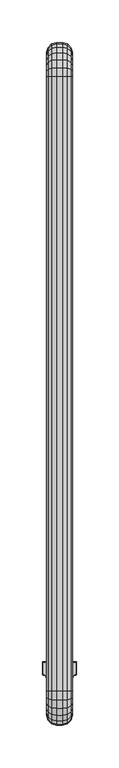
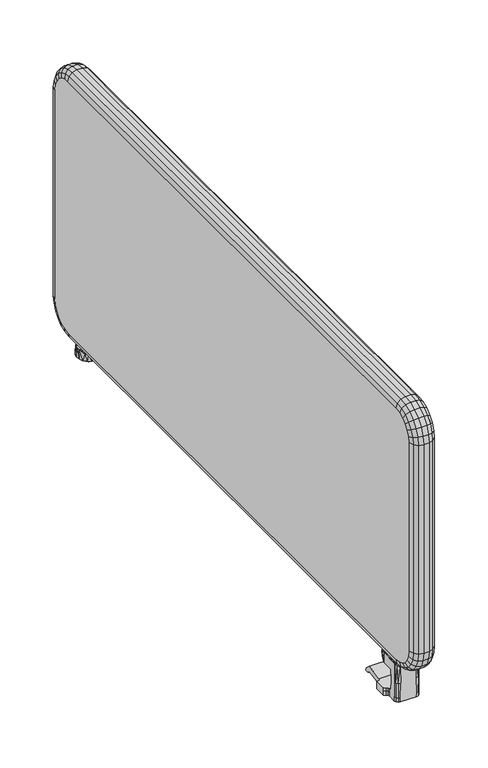
"""IFC4 building model written with IfcOpenShell, lengths in millimetres: furniture geometry."""

from ifc_helpers import new_model, si_unit, origin, place, context, project, spatial, triangles, source, transform, mapped, element, save


def furniture_0dd3401b(model_context):
    return source(origin(), model_context, "Body", "Tessellation", [
        triangles([(789.5187948, -123.3167344, 695.7499741), (789.5187948, -108.4127023, 695.7499741), (789.5667933, -123.3646966, 701.2500017), (789.5667933, -108.3647401, 701.2500017), (787.1397975, -124.0897251, 701.2500017), (787.091799, -124.0416902, 695.7499741), (785.3308055, -125.8627273, 695.7499741), (785.378804, -125.9106895, 701.2500017), (784.6888025, -128.3137405, 695.7499741), (784.7368011, -128.3617027, 701.2500017), (784.6977954, -128.3227516, 705.7500177), (785.3397984, -125.8717384, 705.7500177), (787.0997927, -124.0496839, 705.7500177), (789.5278059, -123.3257455, 705.7500177), (784.6148063, -118.412746, 695.7499741), (754.5188054, -118.412746, 695.7499741), (784.5668078, -118.3647111, 701.2500017), (754.5668039, -118.3647111, 701.2500017), (784.6057952, -118.4037349, 705.7500177), (784.6057952, -108.4036912, 705.7500177), (784.5668078, -108.3647401, 701.2500017), (754.5188054, -108.4127023, 695.7499741), (754.5668039, -108.3647401, 701.2500017), (784.5668078, -131.364717, 720.7499743), (784.5668078, -138.3647258, 720.7499743), (784.6977954, -131.2336931, 705.7500177), (784.7368011, -138.5347009, 701.2500017), (784.6888025, -138.4867387, 695.7499741), (779.6887989, -143.4867242, 695.7499741), (782.1887916, -142.816707, 695.7499741), (779.7367974, -143.5346864, 701.2500017), (782.2368083, -142.8647418, 701.2500017), (784.0188035, -140.9867315, 695.7499741), (784.066802, -141.0346937, 701.2500017), (759.4447947, -143.4867242, 695.7499741), (759.3967962, -143.5346864, 701.2500017), (753.8028062, -125.8627273, 695.7499741), (752.0417945, -124.0416902, 695.7499741), (784.6148063, -108.4127023, 695.7499741), (754.444791, -128.3137405, 695.7499741), (754.444791, -138.4867387, 695.7499741), (755.1148083, -140.9867315, 695.7499741), (756.944802, -142.816707, 695.7499741), (749.6147988, -123.3167344, 695.7499741), (749.6147988, -108.4127023, 695.7499741), (754.3967925, -138.5347009, 701.2500017), (755.0667916, -141.0346937, 701.2500017), (756.8968034, -142.8647418, 701.2500017), (754.3967925, -128.3617027, 701.2500017), (754.5277983, -118.4037349, 705.7500177), (754.4357981, -131.2336931, 705.7500177), (754.5668039, -131.364717, 720.7499743), (754.5668039, -138.3647258, 720.7499743), (754.4357981, -128.3227516, 705.7500177), (749.5668003, -108.3647401, 701.2500017), (749.5668003, -123.3646966, 701.2500017), (789.5278059, -108.4036912, 705.7500177), (754.5277983, -108.4036912, 705.7500177), (751.993796, -124.0897251, 701.2500017), (753.7548077, -125.9106895, 701.2500017), (753.7937952, -125.8717384, 705.7500177), (749.6058059, -108.4036912, 705.7500177), (749.6058059, -123.3257455, 705.7500177), (752.0338008, -124.0496839, 705.7500177), (783.8968087, -140.8647186, 720.7499743), (782.0667969, -142.6946941, 720.7499743), (779.5668041, -143.3647113, 720.7499743), (759.5668076, -143.3647113, 720.7499743), (755.236803, -140.8647186, 720.7499743), (757.0667967, -142.6946941, 720.7499743), (779.1127984, -105.8187473, 732.0000143), (779.1127984, -124.9107505, 732.0000143), (769.5667968, -101.8647008, 732.0000143), (769.5667968, -128.8647243, 732.0000143), (760.0207952, -105.8187473, 732.0000143), (760.0207952, -124.9107505, 732.0000143), (756.0668032, -115.3647489, 732.0000143), (783.0668085, -115.3647489, 732.0000143), (760.0207952, -105.8187473, 733.5999893), (769.5667968, -101.8647008, 733.5999893), (774.7327969, -102.8926904, 733.5999893), (756.0668032, -115.3647489, 733.5999893), (757.0947928, -120.5307126, 733.5999893), (760.0207952, -124.9107505, 733.5999893), (764.4007967, -127.8367347, 733.5999893), (769.5667968, -128.8647243, 733.5999893), (774.7327969, -127.8367347, 733.5999893), (779.1127984, -124.9107505, 733.5999893), (782.0388008, -120.5307126, 733.5999893), (783.0668085, -115.3647489, 733.5999893), (782.0388008, -110.1987125, 733.5999893), (779.1127984, -105.8187473, 733.5999893), (783.4477991, -118.5497289, 745.0000202), (780.7218027, -118.5497289, 742.8330013), (773.566807, -118.5497289, 745.0000202), (777.5178013, -118.5497289, 741.4670237), (774.0667946, -118.5497289, 740.9999737), (773.566807, -118.5497289, 740.9999737), (773.566807, -126.6796832, 745.0000202), (773.566807, -126.6796832, 740.9999737), (774.0667946, -126.6796832, 740.9999737), (777.5178013, -126.6796832, 741.4670237), (780.7218027, -126.6796832, 742.8330013), (783.4477991, -126.6796832, 745.0000202), (755.6857945, -126.6796832, 745.0000202), (758.4117909, -126.6796832, 742.8330013), (765.5668047, -126.6796832, 745.0000202), (761.6157923, -126.6796832, 741.4670237), (765.0667989, -126.6796832, 740.9999737), (765.5668047, -126.6796832, 740.9999737), (765.5668047, -118.5497289, 740.9999737), (765.5668047, -118.5497289, 745.0000202), (765.0667989, -118.5497289, 740.9999737), (761.6157923, -118.5497289, 741.4670237), (758.4117909, -118.5497289, 742.8330013), (755.6857945, -118.5497289, 745.0000202), (784.6787922, -131.2527326, 733.5999893), (784.7927933, -138.5907295, 746.6550064), (784.7927933, -115.3647489, 746.6550064), (784.6787922, -115.3647489, 733.5999893), (754.4548013, -131.2527326, 733.5999893), (781.9408053, -106.5367267, 743.6559889), (780.2528088, -104.6787006, 733.5999893), (774.0667946, -100.8707208, 740.9999737), (769.5667968, -100.2527353, 733.5999893), (771.0867985, -100.2647258, 740.9999737), (768.0467951, -100.2647258, 740.9999737), (765.0667989, -100.8707208, 740.9999737), (758.880803, -104.6787006, 733.5999893), (757.1928064, -106.5367267, 743.6559889), (754.4548013, -115.3647489, 733.5999893), (754.3408003, -115.3647489, 746.6550064), (784.3467994, -140.6376975, 746.0429798), (783.2518081, -142.1687087, 744.8009771), (779.7548014, -143.5527086, 742.3110128), (754.3408003, -138.5907295, 746.6550064), (759.3787922, -143.5527086, 742.3110128), (755.8818036, -142.1687087, 744.8009771), (754.7867941, -140.6376975, 746.0429798), (765.0667989, -143.5417354, 740.9999737), (774.0667946, -143.5417354, 740.9999737), (777.9328014, -143.5467496, 741.5880192), (776.0217988, -143.5426801, 741.1480024), (763.1117947, -143.5426801, 741.1480024), (761.2007922, -143.5467496, 741.5880192), (784.066802, -83.1816842, 701.2689686), (784.066802, -111.2167463, 696.326029), (755.0667916, -83.1816842, 701.2689686), (755.0667916, -111.2167463, 696.326029), (784.066802, -79.2167373, 697.940974), (755.0667916, -79.2167373, 697.940974), (784.066802, -75.1597175, 698.5250227), (755.0667916, -75.1597175, 698.5250227), (784.066802, -75.681706, 702.1540163), (755.0667916, -75.681706, 702.1540163), (784.066802, -82.66471, 708.0130337), (755.0667916, -82.66471, 708.0130337), (784.066802, -104.0067212, 704.249964), (755.0667916, -104.0067212, 704.249964), (784.066802, -117.3646995, 704.249964), (755.0667916, -117.3646995, 704.249964), (784.066802, -117.3646995, 696.326029), (755.0667916, -117.3646995, 696.326029), (771.4988009, 544.0242814, 733.1000198), (769.5667968, 543.8852819, 733.1000198), (769.5667968, 543.8852819, 731.4999722), (768.5977971, 543.9202816, 733.1000198), (767.6347926, 544.0242814, 733.1000198), (766.6807992, 544.1972814, 733.1000198), (765.7417941, 544.4382823, 733.1000198), (762.8167909, 545.6942831, 731.4999722), (761.8538046, 546.3052832, 733.1000198), (758.7527948, 549.3042826, 733.1000198), (757.8757953, 550.6352878, 731.4999722), (756.7558055, 553.1272823, 733.1000198), (756.0668032, 557.3852846, 731.4999722), (756.0668032, 557.3852846, 733.1000198), (756.7558055, 561.6432823, 733.1000198), (757.8757953, 564.1352859, 731.4999722), (758.7527948, 565.4662821, 733.1000198), (762.8167909, 569.0762861, 731.4999722), (761.8538046, 568.465286, 733.1000198), (765.7417941, 570.3322823, 733.1000198), (769.5667968, 570.8852827, 731.4999722), (769.5667968, 570.8852827, 733.1000198), (773.3917995, 570.3322823, 733.1000198), (776.3168026, 569.0762861, 731.4999722), (777.2798071, 568.465286, 733.1000198), (780.3807988, 565.4662821, 733.1000198), (781.2577983, 564.1352859, 731.4999722), (782.3778062, 561.6432823, 733.1000198), (783.0668085, 557.3852846, 731.4999722), (783.0668085, 557.3852846, 733.1000198), (782.3778062, 553.1272823, 733.1000198), (781.2577983, 550.6352878, 731.4999722), (780.3807988, 549.3042826, 733.1000198), (776.3168026, 545.6942831, 731.4999722), (777.2798071, 546.3052832, 733.1000198), (773.3917995, 544.4382823, 733.1000198), (773.8668068, 561.3852857, 740.5000042), (773.8668068, 553.3852835, 740.5000042), (773.9457991, 561.3062843, 745.0000202), (773.9457991, 553.4642848, 745.0000202), (773.8167917, 571.770285, 740.5000042), (777.3407954, 570.2132852, 740.9869658), (773.8347957, 571.8322861, 733.1000198), (778.2078028, 569.7332863, 733.1000198), (780.3028057, 567.8602856, 742.2339827), (781.6817913, 566.3762828, 733.1000198), (783.9787986, 561.5432839, 745.3930195), (783.9177922, 562.1012849, 733.1000198), (784.5668078, 557.4132852, 746.1899912), (784.6807907, 557.3272848, 733.1000198), (784.5738023, 555.649285, 733.7270164), (783.8897961, 552.5882845, 733.1000198), (783.9787986, 553.2272853, 745.3930195), (781.6468007, 548.3462833, 733.1000198), (780.1077958, 546.714288, 742.124033), (778.1798067, 545.0172804, 733.1000198), (776.9138047, 544.3082848, 740.8739639), (773.8347957, 542.938283, 733.1000198), (773.8167917, 543.0002887, 740.5000042), (765.3168018, 571.770285, 740.5000042), (765.3168018, 543.0002887, 740.5000042), (768.1328, 572.3162864, 740.5000042), (768.1328, 542.4542828, 740.5000042), (771.0007936, 542.4542828, 740.5000042), (771.0007936, 572.3162864, 740.5000042), (783.6528011, 561.3062843, 745.0000202), (783.6528011, 553.4642848, 745.0000202), (780.8687959, 553.4212823, 742.5790197), (777.5168021, 553.3942854, 741.0379801), (777.5168021, 561.3762837, 741.0379801), (780.8687959, 561.3492823, 742.5790197), (761.7927982, 544.5572885, 740.9869658), (765.2987978, 542.938283, 733.1000198), (760.9257908, 545.0372828, 733.1000198), (758.830806, 546.9102881, 742.2339827), (757.450803, 548.3942818, 733.1000198), (755.1547949, 553.2272853, 745.3930195), (755.2158014, 552.6702835, 733.1000198), (754.5668039, 557.3572839, 746.1899912), (754.4528029, 557.4442835, 733.1000198), (754.5587921, 559.120285, 733.7270164), (755.2437975, 562.1832839, 733.1000198), (755.1547949, 561.5432839, 745.3930195), (757.4877921, 566.4242859, 733.1000198), (759.0257977, 568.0562857, 742.124033), (760.9548043, 569.7532842, 733.1000198), (762.2188078, 570.4622843, 740.8749813), (765.2987978, 571.8322861, 733.1000198), (769.5667968, 542.3202884, 733.1000198), (771.006807, 572.3812851, 733.1000198), (768.1268047, 572.3812851, 733.1000198), (765.2668049, 553.3852835, 740.5000042), (765.2668049, 561.3852857, 740.5000042), (761.6167915, 561.3762837, 741.0379801), (758.2647977, 561.3492823, 742.5790197), (755.4807925, 561.3062843, 745.0000202), (755.4807925, 553.4642848, 745.0000202), (761.6167915, 553.3942854, 741.0379801), (758.2647977, 553.4212823, 742.5790197), (765.1877944, 561.3062843, 745.0000202), (765.1877944, 553.4642848, 745.0000202)], [[3, 1, 2], [3, 2, 4], [3, 5, 1], [1, 5, 6], [6, 5, 7], [7, 5, 8], [7, 8, 9], [9, 8, 10], [10, 8, 11], [11, 8, 12], [12, 8, 5], [12, 5, 13], [13, 5, 14], [14, 5, 3], [15, 16, 17], [17, 16, 18], [19, 20, 17], [17, 20, 21], [16, 22, 18], [18, 22, 23], [26, 24, 25], [27, 26, 25], [10, 26, 27], [10, 11, 26], [9, 10, 28], [28, 10, 27], [29, 30, 31], [31, 30, 32], [32, 30, 33], [32, 33, 34], [34, 33, 27], [27, 33, 28], [36, 35, 29], [36, 29, 31], [16, 15, 7], [16, 7, 37], [16, 37, 38], [39, 2, 15], [1, 15, 2], [15, 1, 6], [15, 6, 7], [37, 7, 40], [40, 7, 9], [40, 9, 41], [41, 9, 35], [41, 35, 42], [42, 35, 43], [35, 9, 29], [29, 9, 28], [29, 28, 33], [33, 30, 29], [16, 38, 44], [45, 16, 44], [16, 45, 22], [41, 42, 46], [46, 42, 47], [47, 42, 43], [47, 43, 48], [48, 43, 36], [36, 43, 35], [40, 41, 49], [49, 41, 46], [19, 17, 18], [19, 18, 50], [26, 51, 24], [24, 51, 52], [53, 52, 51], [53, 51, 46], [46, 51, 49], [49, 51, 54], [55, 45, 44], [55, 44, 56], [3, 4, 14], [14, 4, 57], [50, 18, 58], [58, 18, 23], [56, 44, 59], [59, 44, 38], [59, 38, 37], [59, 37, 60], [60, 37, 40], [60, 40, 49], [19, 50, 61], [19, 61, 12], [19, 12, 13], [58, 62, 50], [63, 50, 62], [50, 63, 64], [50, 64, 61], [12, 61, 11], [11, 61, 54], [11, 54, 51], [51, 26, 11], [19, 13, 14], [57, 19, 14], [19, 57, 20], [56, 59, 63], [63, 59, 64], [64, 59, 61], [61, 59, 60], [61, 60, 54], [54, 60, 49], [55, 23, 45], [45, 23, 22], [15, 17, 39], [39, 17, 21], [21, 4, 39], [39, 4, 2], [23, 55, 58], [58, 55, 62], [4, 21, 57], [57, 21, 20], [55, 56, 62], [62, 56, 63], [25, 65, 27], [27, 65, 34], [34, 65, 66], [34, 66, 32], [32, 66, 31], [31, 66, 67], [36, 31, 68], [68, 31, 67], [53, 46, 69], [69, 46, 47], [69, 47, 48], [69, 48, 70], [70, 48, 36], [70, 36, 68], [73, 71, 72], [73, 72, 74], [73, 74, 75], [75, 74, 76], [75, 76, 77], [71, 78, 72], [75, 79, 73], [73, 79, 80], [73, 80, 81], [79, 75, 82], [82, 75, 77], [82, 77, 83], [76, 83, 77], [83, 76, 84], [84, 76, 85], [74, 85, 76], [85, 74, 86], [86, 74, 87], [72, 87, 74], [87, 72, 88], [88, 72, 89], [78, 89, 72], [89, 78, 90], [90, 78, 91], [71, 91, 78], [91, 71, 92], [92, 71, 81], [73, 81, 71], [93, 94, 95], [95, 94, 96], [95, 96, 97], [97, 98, 95], [95, 98, 99], [99, 98, 100], [100, 101, 99], [99, 101, 102], [99, 102, 103], [99, 103, 104], [105, 106, 107], [107, 106, 108], [107, 108, 109], [109, 110, 107], [111, 112, 110], [110, 112, 107], [111, 113, 112], [112, 113, 114], [112, 114, 115], [112, 115, 116], [25, 24, 117], [25, 117, 118], [118, 117, 119], [119, 117, 120], [117, 24, 52], [117, 52, 121], [119, 120, 122], [122, 120, 123], [122, 123, 124], [124, 123, 125], [124, 125, 126], [126, 125, 127], [128, 127, 125], [128, 125, 129], [128, 129, 130], [130, 129, 131], [130, 131, 132], [118, 133, 25], [25, 133, 65], [65, 133, 134], [65, 134, 66], [66, 134, 135], [66, 135, 67], [121, 52, 53], [136, 121, 53], [121, 136, 132], [132, 131, 121], [68, 137, 70], [70, 137, 138], [70, 138, 69], [69, 138, 139], [69, 139, 53], [53, 139, 136], [97, 124, 98], [98, 124, 126], [98, 126, 127], [98, 127, 111], [111, 127, 128], [111, 128, 113], [111, 110, 98], [98, 110, 100], [100, 110, 140], [100, 140, 141], [110, 109, 140], [141, 101, 100], [135, 142, 67], [67, 142, 143], [67, 143, 141], [67, 141, 140], [67, 140, 68], [68, 140, 144], [68, 144, 145], [68, 145, 137], [116, 139, 105], [105, 139, 138], [105, 138, 106], [106, 138, 137], [106, 137, 108], [108, 137, 145], [108, 145, 144], [115, 130, 116], [116, 130, 132], [139, 116, 132], [139, 132, 136], [130, 115, 114], [128, 130, 114], [128, 114, 113], [144, 140, 109], [144, 109, 108], [93, 104, 133], [119, 93, 133], [93, 119, 122], [134, 133, 104], [134, 104, 103], [135, 134, 103], [135, 103, 102], [135, 102, 142], [142, 102, 143], [143, 102, 101], [143, 101, 141], [133, 118, 119], [124, 96, 122], [122, 96, 94], [122, 94, 93], [124, 97, 96], [104, 93, 99], [99, 93, 95], [116, 105, 112], [112, 105, 107], [81, 80, 125], [125, 80, 79], [125, 79, 129], [129, 79, 82], [129, 82, 131], [131, 82, 83], [131, 83, 121], [121, 83, 84], [121, 84, 85], [121, 85, 86], [121, 86, 117], [117, 86, 87], [117, 87, 88], [117, 88, 89], [117, 89, 120], [120, 89, 90], [120, 90, 91], [120, 91, 123], [123, 91, 92], [123, 92, 81], [123, 81, 125], [146, 147, 148], [148, 147, 149], [150, 146, 151], [151, 146, 148], [152, 150, 153], [153, 150, 151], [154, 152, 155], [155, 152, 153], [156, 154, 157], [157, 154, 155], [158, 156, 159], [159, 156, 157], [160, 158, 161], [161, 158, 159], [162, 160, 163], [163, 160, 161], [147, 162, 149], [149, 162, 163], [162, 147, 160], [160, 147, 158], [146, 158, 147], [158, 146, 156], [156, 146, 154], [152, 154, 146], [152, 146, 150], [163, 161, 149], [149, 161, 159], [149, 159, 148], [148, 159, 157], [148, 157, 155], [148, 155, 153], [148, 153, 151], [164, 165, 166], [166, 165, 167], [166, 167, 168], [166, 168, 169], [166, 169, 170], [166, 170, 171], [172, 171, 170], [171, 172, 173], [171, 173, 174], [175, 174, 173], [174, 175, 176], [176, 175, 177], [176, 177, 178], [176, 178, 179], [180, 179, 178], [179, 180, 181], [181, 180, 182], [183, 181, 182], [181, 183, 184], [184, 183, 185], [184, 185, 186], [184, 186, 187], [188, 187, 186], [187, 188, 189], [187, 189, 190], [191, 190, 189], [190, 191, 192], [192, 191, 193], [192, 193, 194], [192, 194, 195], [196, 195, 194], [195, 196, 197], [197, 196, 198], [199, 197, 198], [197, 199, 166], [166, 199, 164], [166, 171, 181], [166, 181, 184], [166, 184, 197], [197, 184, 187], [197, 187, 195], [195, 187, 190], [195, 190, 192], [181, 171, 179], [179, 171, 174], [179, 174, 176], [200, 201, 202], [202, 201, 203], [206, 204, 205], [206, 205, 207], [207, 205, 208], [207, 208, 209], [209, 208, 210], [209, 210, 211], [211, 210, 212], [211, 212, 213], [213, 212, 214], [213, 214, 215], [215, 214, 216], [217, 215, 216], [217, 216, 218], [217, 218, 219], [219, 218, 220], [219, 220, 221], [221, 220, 222], [212, 216, 214], [225, 223, 224], [225, 224, 226], [225, 226, 227], [225, 227, 228], [228, 227, 222], [228, 222, 204], [229, 230, 216], [216, 230, 231], [216, 231, 218], [218, 231, 232], [220, 218, 232], [220, 232, 201], [222, 220, 201], [222, 201, 200], [222, 200, 204], [204, 200, 205], [205, 200, 233], [205, 233, 208], [208, 233, 234], [208, 234, 210], [210, 234, 229], [210, 229, 216], [216, 212, 210], [236, 224, 235], [236, 235, 237], [237, 235, 238], [237, 238, 239], [239, 238, 240], [239, 240, 241], [241, 240, 242], [241, 242, 243], [243, 242, 244], [243, 244, 245], [245, 244, 246], [247, 245, 246], [247, 246, 248], [247, 248, 249], [249, 248, 250], [249, 250, 251], [251, 250, 223], [242, 246, 244], [226, 224, 236], [226, 236, 252], [226, 252, 227], [227, 252, 221], [227, 221, 222], [228, 204, 206], [228, 206, 253], [228, 253, 254], [251, 223, 254], [254, 223, 225], [254, 225, 228], [255, 235, 224], [223, 255, 224], [255, 223, 256], [256, 223, 250], [256, 250, 257], [257, 250, 248], [257, 248, 258], [246, 258, 248], [258, 246, 259], [260, 259, 246], [240, 260, 246], [238, 260, 240], [246, 242, 240], [235, 261, 238], [238, 261, 262], [238, 262, 260], [261, 235, 255], [256, 263, 264], [256, 264, 255], [260, 262, 264], [264, 262, 261], [264, 261, 255], [201, 232, 203], [203, 232, 231], [203, 231, 230], [263, 259, 264], [264, 259, 260], [203, 230, 202], [202, 230, 229], [167, 165, 252], [252, 165, 164], [252, 164, 221], [221, 164, 199], [221, 199, 219], [219, 199, 198], [219, 198, 217], [217, 198, 196], [217, 196, 215], [215, 196, 194], [215, 194, 213], [213, 194, 193], [213, 193, 211], [211, 193, 191], [211, 191, 209], [209, 191, 189], [209, 189, 207], [207, 189, 188], [207, 188, 206], [206, 188, 186], [206, 186, 253], [185, 253, 186], [253, 185, 254], [183, 254, 185], [254, 183, 251], [251, 183, 249], [249, 183, 182], [249, 182, 247], [247, 182, 180], [247, 180, 245], [245, 180, 178], [245, 178, 243], [243, 178, 177], [243, 177, 241], [241, 177, 175], [241, 175, 239], [239, 175, 173], [239, 173, 237], [237, 173, 172], [237, 172, 236], [236, 172, 170], [236, 170, 169], [236, 169, 168], [236, 168, 252], [252, 168, 167], [256, 257, 263], [263, 257, 258], [263, 258, 259], [229, 234, 202], [202, 234, 233], [202, 233, 200]]),
        triangles([(783.0258045, -176.8647014, 782.0000147), (778.8167954, -181.0737468, 782.0000147), (783.0258045, -175.6976941, 773.1360209), (778.8167954, -179.763725, 772.0459711), (783.0258045, -172.2757373, 764.8749699), (778.8167954, -175.9217357, 762.7700111), (783.0258045, -166.8326829, 757.7820162), (778.8167954, -169.8096815, 754.8050177), (783.0258045, -159.7397293, 752.3390345), (778.8167954, -161.844688, 748.6930361), (783.0258045, -151.4796956, 748.917005), (778.8167954, -152.568728, 744.8509741), (783.0258045, -142.6146844, 747.7499977), (778.8167954, -142.6146844, 743.541025), (784.5668078, -171.114689, 782.0000147), (784.5668078, -170.1437454, 774.6240114), (784.5668078, -167.2966808, 767.7500124), (784.5668078, -162.7677421, 761.8479744), (784.5668078, -156.8646867, 757.3180183), (784.5668078, -149.9906877, 754.4710264), (784.5668078, -142.6146844, 753.5000101), (756.1078073, -176.8647014, 782.0000147), (754.5668039, -171.114689, 782.0000147), (756.1078073, -175.6976941, 773.1360209), (754.5668039, -170.1437454, 774.6240114), (756.1078073, -172.2757373, 764.8749699), (754.5668039, -167.2966808, 767.7500124), (756.1078073, -166.8326829, 757.7820162), (754.5668039, -162.7677421, 761.8479744), (756.1078073, -159.7397293, 752.3390345), (754.5668039, -156.8646867, 757.3180183), (756.1078073, -151.4796956, 748.917005), (754.5668039, -149.9906877, 754.4710264), (756.1078073, -142.6146844, 747.7499977), (754.5668039, -142.6146844, 753.5000101), (760.3167982, -181.0737468, 782.0000147), (760.3167982, -179.763725, 772.0459711), (760.3167982, -175.9217357, 762.7700111), (760.3167982, -169.8096815, 754.8050177), (760.3167982, -161.844688, 748.6930361), (760.3167982, -152.568728, 744.8509741), (760.3167982, -142.6146844, 743.541025), (766.0667924, -182.6147138, 782.0000147), (766.0667924, -181.2517156, 771.6470129), (766.0667924, -177.2557386, 762.0), (766.0667924, -170.8987138, 753.7159853), (766.0667924, -162.6146991, 747.3590332), (766.0667924, -152.9676862, 743.3629835), (766.0667924, -142.6146844, 741.9999853), (773.0668012, -182.6147138, 782.0000147), (773.0668012, -181.2517156, 771.6470129), (773.0668012, -177.2557386, 762.0), (773.0668012, -170.8987138, 753.7159853), (773.0668012, -162.6146991, 747.3590332), (773.0668012, -152.9676862, 743.3629835), (773.0668012, -142.6146844, 741.9999853), (783.0258045, -176.8647014, 1060.9999907), (778.8167954, -181.0737468, 1060.9999907), (784.5668078, -171.114689, 1060.9999907), (756.1078073, -176.8647014, 1060.9999907), (754.5668039, -171.114689, 1060.9999907), (760.3167982, -181.0737468, 1060.9999907), (766.0667924, -182.6147138, 1060.9999907), (773.0668012, -182.6147138, 1060.9999907), (783.0258045, -142.6146844, 1095.2500076), (778.8167954, -142.6146844, 1099.4589804), (783.0258045, -151.4796956, 1094.0830004), (778.8167954, -152.568728, 1098.1490313), (783.0258045, -159.7397293, 1090.6609709), (778.8167954, -161.844688, 1094.3069693), (783.0258045, -166.8326829, 1085.2179892), (778.8167954, -169.8096815, 1088.1949877), (783.0258045, -172.2757373, 1078.1250355), (778.8167954, -175.9217357, 1080.2299942), (783.0258045, -175.6976941, 1069.8650019), (778.8167954, -179.763725, 1070.9540342), (784.5668078, -142.6146844, 1089.4999952), (784.5668078, -149.9906877, 1088.5289789), (784.5668078, -156.8646867, 1085.681987), (784.5668078, -162.7677421, 1081.1529757), (784.5668078, -167.2966808, 1075.2499929), (784.5668078, -170.1437454, 1068.3759939), (756.1078073, -142.6146844, 1095.2500076), (754.5668039, -142.6146844, 1089.4999952), (756.1078073, -151.4796956, 1094.0830004), (754.5668039, -149.9906877, 1088.5289789), (756.1078073, -159.7397293, 1090.6609709), (754.5668039, -156.8646867, 1085.681987), (756.1078073, -166.8326829, 1085.2179892), (754.5668039, -162.7677421, 1081.1529757), (756.1078073, -172.2757373, 1078.1250355), (754.5668039, -167.2966808, 1075.2499929), (756.1078073, -175.6976941, 1069.8650019), (754.5668039, -170.1437454, 1068.3759939), (760.3167982, -142.6146844, 1099.4589804), (760.3167982, -152.568728, 1098.1490313), (760.3167982, -161.844688, 1094.3069693), (760.3167982, -169.8096815, 1088.1949877), (760.3167982, -175.9217357, 1080.2299942), (760.3167982, -179.763725, 1070.9540342), (766.0667924, -142.6146844, 1101.00002), (766.0667924, -152.9676862, 1099.6370218), (766.0667924, -162.6146991, 1095.6409721), (766.0667924, -170.8987138, 1089.28402), (766.0667924, -177.2557386, 1081.0000053), (766.0667924, -181.2517156, 1071.3529924), (773.0668012, -142.6146844, 1101.00002), (773.0668012, -152.9676862, 1099.6370218), (773.0668012, -162.6146991, 1095.6409721), (773.0668012, -170.8987138, 1089.28402), (773.0668012, -177.2557386, 1081.0000053), (773.0668012, -181.2517156, 1071.3529924), (783.0258045, 577.3852856, 1095.2500076), (778.8167954, 577.3852856, 1099.4589804), (784.5668078, 577.3852856, 1089.4999952), (756.1078073, 577.3852856, 1095.2500076), (754.5668039, 577.3852856, 1089.4999952), (760.3167982, 577.3852856, 1099.4589804), (766.0667924, 577.3852856, 1101.00002), (773.0668012, 577.3852856, 1101.00002), (783.0258045, 611.6352844, 1060.9999907), (778.8167954, 615.8442844, 1060.9999907), (783.0258045, 610.468284, 1069.8650019), (778.8167954, 614.5342842, 1070.9540342), (783.0258045, 607.046284, 1078.1250355), (778.8167954, 610.6922847, 1080.2299942), (783.0258045, 601.6032841, 1085.2179892), (778.8167954, 604.5802849, 1088.1949877), (783.0258045, 594.510285, 1090.6609709), (778.8167954, 596.6152846, 1094.3069693), (783.0258045, 586.2502832, 1094.0830004), (778.8167954, 587.3392838, 1098.1490313), (784.5668078, 605.8852834, 1060.9999907), (784.5668078, 604.9142853, 1068.3759939), (784.5668078, 602.0672843, 1075.2499929), (784.5668078, 597.5382843, 1081.1529757), (784.5668078, 591.6352834, 1085.681987), (784.5668078, 584.7612844, 1088.5289789), (756.1078073, 611.6352844, 1060.9999907), (754.5668039, 605.8852834, 1060.9999907), (756.1078073, 610.468284, 1069.8650019), (754.5668039, 604.9142853, 1068.3759939), (756.1078073, 607.046284, 1078.1250355), (754.5668039, 602.0672843, 1075.2499929), (756.1078073, 601.6032841, 1085.2179892), (754.5668039, 597.5382843, 1081.1529757), (756.1078073, 594.510285, 1090.6609709), (754.5668039, 591.6352834, 1085.681987), (756.1078073, 586.2502832, 1094.0830004), (754.5668039, 584.7612844, 1088.5289789), (760.3167982, 615.8442844, 1060.9999907), (760.3167982, 614.5342842, 1070.9540342), (760.3167982, 610.6922847, 1080.2299942), (760.3167982, 604.5802849, 1088.1949877), (760.3167982, 596.6152846, 1094.3069693), (760.3167982, 587.3392838, 1098.1490313), (766.0667924, 617.3852844, 1060.9999907), (766.0667924, 616.0222839, 1071.3529924), (766.0667924, 612.0262842, 1081.0000053), (766.0667924, 605.6692832, 1089.28402), (766.0667924, 597.3852844, 1095.6409721), (766.0667924, 587.7382829, 1099.6370218), (773.0668012, 617.3852844, 1060.9999907), (773.0668012, 616.0222839, 1071.3529924), (773.0668012, 612.0262842, 1081.0000053), (773.0668012, 605.6692832, 1089.28402), (773.0668012, 597.3852844, 1095.6409721), (773.0668012, 587.7382829, 1099.6370218), (783.0258045, 611.6352844, 782.0000147), (778.8167954, 615.8442844, 782.0000147), (784.5668078, 605.8852834, 782.0000147), (756.1078073, 611.6352844, 782.0000147), (754.5668039, 605.8852834, 782.0000147), (760.3167982, 615.8442844, 782.0000147), (766.0667924, 617.3852844, 782.0000147), (773.0668012, 617.3852844, 782.0000147), (783.0258045, 577.3852856, 747.7499977), (778.8167954, 577.3852856, 743.541025), (783.0258045, 586.2502832, 748.917005), (778.8167954, 587.3392838, 744.8509741), (783.0258045, 594.510285, 752.3390345), (778.8167954, 596.6152846, 748.6930361), (783.0258045, 601.6032841, 757.7820162), (778.8167954, 604.5802849, 754.8050177), (783.0258045, 607.046284, 764.8749699), (778.8167954, 610.6922847, 762.7700111), (783.0258045, 610.468284, 773.1360209), (778.8167954, 614.5342842, 772.0459711), (784.5668078, 577.3852856, 753.5000101), (784.5668078, 584.7612844, 754.4710264), (784.5668078, 591.6352834, 757.3180183), (784.5668078, 597.5382843, 761.8479744), (784.5668078, 602.0672843, 767.7500124), (784.5668078, 604.9142853, 774.6240114), (756.1078073, 577.3852856, 747.7499977), (754.5668039, 577.3852856, 753.5000101), (756.1078073, 586.2502832, 748.917005), (754.5668039, 584.7612844, 754.4710264), (756.1078073, 594.510285, 752.3390345), (754.5668039, 591.6352834, 757.3180183), (756.1078073, 601.6032841, 757.7820162), (754.5668039, 597.5382843, 761.8479744), (756.1078073, 607.046284, 764.8749699), (754.5668039, 602.0672843, 767.7500124), (756.1078073, 610.468284, 773.1360209), (754.5668039, 604.9142853, 774.6240114), (760.3167982, 577.3852856, 743.541025), (760.3167982, 587.3392838, 744.8509741), (760.3167982, 596.6152846, 748.6930361), (760.3167982, 604.5802849, 754.8050177), (760.3167982, 610.6922847, 762.7700111), (760.3167982, 614.5342842, 772.0459711), (766.0667924, 577.3852856, 741.9999853), (766.0667924, 587.7382829, 743.3629835), (766.0667924, 597.3852844, 747.3590332), (766.0667924, 605.6692832, 753.7159853), (766.0667924, 612.0262842, 762.0), (766.0667924, 616.0222839, 771.6470129), (773.0668012, 577.3852856, 741.9999853), (773.0668012, 587.7382829, 743.3629835), (773.0668012, 597.3852844, 747.3590332), (773.0668012, 605.6692832, 753.7159853), (773.0668012, 612.0262842, 762.0), (773.0668012, 616.0222839, 771.6470129)], [[3, 1, 2], [3, 2, 4], [5, 3, 4], [5, 4, 6], [7, 5, 6], [7, 6, 8], [9, 7, 8], [9, 8, 10], [11, 9, 10], [11, 10, 12], [13, 11, 12], [13, 12, 14], [16, 15, 1], [16, 1, 3], [17, 16, 3], [17, 3, 5], [18, 17, 5], [18, 5, 7], [19, 18, 7], [19, 7, 9], [20, 19, 9], [20, 9, 11], [21, 20, 11], [21, 11, 13], [22, 23, 24], [24, 23, 25], [24, 25, 26], [26, 25, 27], [26, 27, 28], [28, 27, 29], [28, 29, 30], [30, 29, 31], [30, 31, 32], [32, 31, 33], [32, 33, 34], [34, 33, 35], [36, 22, 37], [37, 22, 24], [37, 24, 38], [38, 24, 26], [38, 26, 39], [39, 26, 28], [39, 28, 40], [40, 28, 30], [40, 30, 41], [41, 30, 32], [41, 32, 42], [42, 32, 34], [43, 36, 44], [44, 36, 37], [44, 37, 45], [45, 37, 38], [45, 38, 46], [46, 38, 39], [46, 39, 47], [47, 39, 40], [47, 40, 48], [48, 40, 41], [48, 41, 49], [49, 41, 42], [50, 43, 51], [51, 43, 44], [51, 44, 52], [52, 44, 45], [52, 45, 53], [53, 45, 46], [53, 46, 54], [54, 46, 47], [54, 47, 55], [55, 47, 48], [55, 48, 56], [56, 48, 49], [4, 2, 50], [4, 50, 51], [6, 4, 51], [6, 51, 52], [8, 6, 52], [8, 52, 53], [10, 8, 53], [10, 53, 54], [12, 10, 54], [12, 54, 55], [14, 12, 55], [14, 55, 56], [57, 58, 1], [1, 58, 2], [59, 57, 15], [15, 57, 1], [60, 61, 22], [22, 61, 23], [62, 60, 36], [36, 60, 22], [63, 62, 43], [43, 62, 36], [64, 63, 50], [50, 63, 43], [58, 64, 2], [2, 64, 50], [67, 65, 66], [67, 66, 68], [69, 67, 68], [69, 68, 70], [71, 69, 70], [71, 70, 72], [73, 71, 72], [73, 72, 74], [75, 73, 74], [75, 74, 76], [57, 75, 76], [57, 76, 58], [78, 77, 65], [78, 65, 67], [79, 78, 67], [79, 67, 69], [80, 79, 69], [80, 69, 71], [81, 80, 71], [81, 71, 73], [82, 81, 73], [82, 73, 75], [59, 82, 75], [59, 75, 57], [83, 84, 85], [85, 84, 86], [85, 86, 87], [87, 86, 88], [87, 88, 89], [89, 88, 90], [89, 90, 91], [91, 90, 92], [91, 92, 93], [93, 92, 94], [93, 94, 60], [60, 94, 61], [95, 83, 96], [96, 83, 85], [96, 85, 97], [97, 85, 87], [97, 87, 98], [98, 87, 89], [98, 89, 99], [99, 89, 91], [99, 91, 100], [100, 91, 93], [100, 93, 62], [62, 93, 60], [101, 95, 102], [102, 95, 96], [102, 96, 103], [103, 96, 97], [103, 97, 104], [104, 97, 98], [104, 98, 105], [105, 98, 99], [105, 99, 106], [106, 99, 100], [106, 100, 63], [63, 100, 62], [107, 101, 108], [108, 101, 102], [108, 102, 109], [109, 102, 103], [109, 103, 110], [110, 103, 104], [110, 104, 111], [111, 104, 105], [111, 105, 112], [112, 105, 106], [112, 106, 64], [64, 106, 63], [68, 66, 107], [68, 107, 108], [70, 68, 108], [70, 108, 109], [72, 70, 109], [72, 109, 110], [74, 72, 110], [74, 110, 111], [76, 74, 111], [76, 111, 112], [58, 76, 112], [58, 112, 64], [113, 114, 65], [65, 114, 66], [115, 113, 77], [77, 113, 65], [116, 117, 83], [83, 117, 84], [118, 116, 95], [95, 116, 83], [119, 118, 101], [101, 118, 95], [120, 119, 107], [107, 119, 101], [114, 120, 66], [66, 120, 107], [123, 121, 122], [123, 122, 124], [125, 123, 124], [125, 124, 126], [127, 125, 126], [127, 126, 128], [129, 127, 128], [129, 128, 130], [131, 129, 130], [131, 130, 132], [113, 131, 132], [113, 132, 114], [134, 133, 121], [134, 121, 123], [135, 134, 123], [135, 123, 125], [136, 135, 125], [136, 125, 127], [137, 136, 127], [137, 127, 129], [138, 137, 129], [138, 129, 131], [115, 138, 131], [115, 131, 113], [139, 140, 141], [141, 140, 142], [141, 142, 143], [143, 142, 144], [143, 144, 145], [145, 144, 146], [145, 146, 147], [147, 146, 148], [147, 148, 149], [149, 148, 150], [149, 150, 116], [116, 150, 117], [151, 139, 152], [152, 139, 141], [152, 141, 153], [153, 141, 143], [153, 143, 154], [154, 143, 145], [154, 145, 155], [155, 145, 147], [155, 147, 156], [156, 147, 149], [156, 149, 118], [118, 149, 116], [157, 151, 158], [158, 151, 152], [158, 152, 159], [159, 152, 153], [159, 153, 160], [160, 153, 154], [160, 154, 161], [161, 154, 155], [161, 155, 162], [162, 155, 156], [162, 156, 119], [119, 156, 118], [163, 157, 164], [164, 157, 158], [164, 158, 165], [165, 158, 159], [165, 159, 166], [166, 159, 160], [166, 160, 167], [167, 160, 161], [167, 161, 168], [168, 161, 162], [168, 162, 120], [120, 162, 119], [124, 122, 163], [124, 163, 164], [126, 124, 164], [126, 164, 165], [128, 126, 165], [128, 165, 166], [130, 128, 166], [130, 166, 167], [132, 130, 167], [132, 167, 168], [114, 132, 168], [114, 168, 120], [169, 170, 121], [121, 170, 122], [171, 169, 133], [133, 169, 121], [172, 173, 139], [139, 173, 140], [174, 172, 151], [151, 172, 139], [175, 174, 157], [157, 174, 151], [176, 175, 163], [163, 175, 157], [170, 176, 122], [122, 176, 163], [179, 177, 178], [179, 178, 180], [181, 179, 180], [181, 180, 182], [183, 181, 182], [183, 182, 184], [185, 183, 184], [185, 184, 186], [187, 185, 186], [187, 186, 188], [169, 187, 188], [169, 188, 170], [190, 189, 177], [190, 177, 179], [191, 190, 179], [191, 179, 181], [192, 191, 181], [192, 181, 183], [193, 192, 183], [193, 183, 185], [194, 193, 185], [194, 185, 187], [171, 194, 187], [171, 187, 169], [195, 196, 197], [197, 196, 198], [197, 198, 199], [199, 198, 200], [199, 200, 201], [201, 200, 202], [201, 202, 203], [203, 202, 204], [203, 204, 205], [205, 204, 206], [205, 206, 172], [172, 206, 173], [207, 195, 208], [208, 195, 197], [208, 197, 209], [209, 197, 199], [209, 199, 210], [210, 199, 201], [210, 201, 211], [211, 201, 203], [211, 203, 212], [212, 203, 205], [212, 205, 174], [174, 205, 172], [213, 207, 214], [214, 207, 208], [214, 208, 215], [215, 208, 209], [215, 209, 216], [216, 209, 210], [216, 210, 217], [217, 210, 211], [217, 211, 218], [218, 211, 212], [218, 212, 175], [175, 212, 174], [219, 213, 220], [220, 213, 214], [220, 214, 221], [221, 214, 215], [221, 215, 222], [222, 215, 216], [222, 216, 223], [223, 216, 217], [223, 217, 224], [224, 217, 218], [224, 218, 176], [176, 218, 175], [180, 178, 219], [180, 219, 220], [182, 180, 220], [182, 220, 221], [184, 182, 221], [184, 221, 222], [186, 184, 222], [186, 222, 223], [188, 186, 223], [188, 223, 224], [170, 188, 224], [170, 224, 176], [13, 14, 177], [177, 14, 178], [21, 13, 189], [189, 13, 177], [189, 115, 21], [21, 115, 77], [21, 77, 15], [15, 77, 59], [59, 77, 82], [82, 77, 81], [81, 77, 78], [81, 78, 79], [189, 190, 171], [189, 171, 133], [189, 133, 115], [115, 133, 138], [138, 133, 137], [137, 133, 136], [136, 133, 135], [135, 133, 134], [190, 191, 171], [171, 191, 192], [171, 192, 193], [193, 194, 171], [79, 80, 81], [15, 16, 21], [21, 16, 20], [20, 16, 19], [19, 16, 18], [18, 16, 17], [35, 33, 27], [35, 27, 25], [35, 25, 23], [33, 31, 27], [27, 31, 29], [35, 23, 61], [35, 61, 84], [35, 84, 196], [196, 84, 117], [196, 117, 173], [173, 117, 140], [140, 117, 150], [140, 150, 148], [61, 94, 84], [84, 94, 86], [86, 94, 88], [88, 94, 90], [90, 94, 92], [148, 146, 140], [140, 146, 144], [140, 144, 142], [173, 206, 204], [173, 204, 202], [173, 202, 200], [173, 200, 198], [173, 198, 196], [34, 35, 195], [195, 35, 196], [42, 34, 207], [207, 34, 195], [49, 42, 213], [213, 42, 207], [56, 49, 219], [219, 49, 213], [14, 56, 178], [178, 56, 219]]),
    ])


if __name__ == "__main__":
    model = new_model("IFC4")
    model_context = context("Model", 3, world=origin())
    ifc_project = project(units=[si_unit("LENGTHUNIT", "METRE", prefix="MILLI")], contexts=[model_context])
    site = spatial("IfcSite", under=ifc_project)
    building = spatial("IfcBuilding", under=site)
    placement = place(None, origin())
    furniture_shape = furniture_0dd3401b(model_context)
    element("IfcFurniture", 1, at=placement, inside=building, context=model_context, shape_type="MappedRepresentation", body=[
        mapped(furniture_shape, transform((0.0, 0.0, 0.0), x_axis=(1.0, 0.0, 0.0), y_axis=(0.0, 1.0, 0.0), z_axis=(0.0, 0.0, 1.0))),
    ])
    save(model, "model.ifc")
